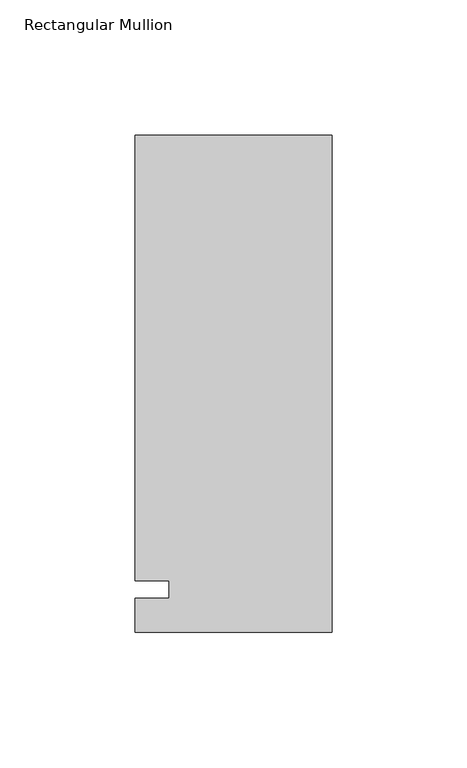
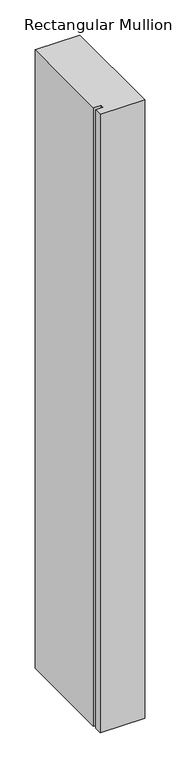
"""IFC4 building model written with IfcOpenShell, lengths in millimetres: member geometry, Rectangular Mullion."""

from ifc_helpers import new_model, si_unit, frame, origin, place, context, project, spatial, polyline, outline, extrude, source, transform, mapped, element, save


def rectangular_mullion_394f0c97(model_context):
    return source(origin(), model_context, "Body", "SweptSolid", [
        extrude(outline(polyline([(-73.025, 168.275), (0.0, 168.275), (0.0, -15.875), (-73.025, -15.875), (-73.025, -3.175), (-60.325, -3.175), (-60.325, 3.175), (-73.025, 3.175), (-73.025, 168.275)])), frame((0.0, 0.0, -1071.9905973), z_axis=(0.0, 0.0, 1.0), x_axis=(1.0, 0.0, 0.0)), (0.0, 0.0, 1.0), 1071.9905973),
    ])


if __name__ == "__main__":
    model = new_model("IFC4")
    model_context = context("Model", 3, world=origin())
    ifc_project = project(units=[si_unit("LENGTHUNIT", "METRE", prefix="MILLI")], contexts=[model_context])
    site = spatial("IfcSite", under=ifc_project)
    building = spatial("IfcBuilding", under=site)
    placement = place(None, origin())
    rectangular_mullion_shape = rectangular_mullion_394f0c97(model_context)
    element("IfcMember", 1, ObjectType="Rectangular Mullion", at=placement, inside=building, context=model_context, shape_type="MappedRepresentation", body=[
        mapped(rectangular_mullion_shape, transform((0.0, 0.0, 0.0), x_axis=(1.0, 0.0, 0.0), y_axis=(0.0, 1.0, 0.0), z_axis=(0.0, 0.0, 1.0))),
    ])
    save(model, "model.ifc")
